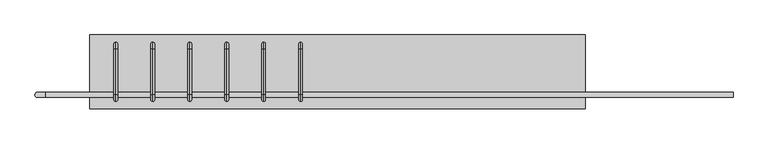
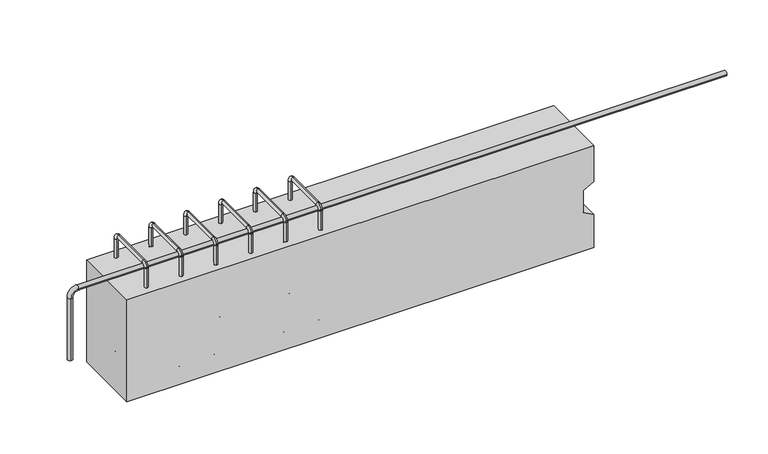
"""IFC4 building model written with IfcOpenShell, lengths in millimetres: proxy geometry."""

from ifc_helpers import new_model, si_unit, point, frame, origin, place, context, project, spatial, polyline, circle_curve, ellipse_curve, trimmed, outline, extrude, source, transform, mapped, element, save
from ifc_brep_helpers import plane_surface, cylinder_surface, revolved_surface, advanced_brep


def generic_models_96645414(model_context):
    return source(origin(), model_context, "Body", "SolidModel", [
        advanced_brep(
        [(45.0, 80.0, 367.25), (45.0, 62.5, 384.75), (45.0, 62.5, 374.75), (45.0, 70.0, 367.25), (45.0, 70.0, 36.25), (45.0, 80.0, 36.25), (45.0, 62.5, 18.75), (45.0, 62.5, 28.75), (45.0, -62.5, 28.75), (45.0, -62.5, 18.75), (45.0, -80.0, 36.25), (45.0, -70.0, 36.25), (45.0, -70.0, 367.25), (45.0, -80.0, 367.25), (45.0, -62.5, 384.75), (45.0, -62.5, 374.75)],
        [
            (0, 1, circle_curve(frame((45.0, 62.5, 367.25), z_axis=(1.0, 0.0, 0.0), x_axis=(0.0, 0.0, 1.0)), 17.5)),
            (1, 2, circle_curve(frame((45.0, 62.5, 379.75), z_axis=(0.0, 1.0, 0.0), x_axis=(0.0, 0.0, 1.0)), 5.0)),
            (2, 3, circle_curve(frame((45.0, 62.5, 367.25), z_axis=(-1.0, 0.0, 0.0), x_axis=(0.0, 0.0, 1.0)), 7.5)),
            (3, 0, circle_curve(frame((45.0, 75.0, 367.25), z_axis=(0.0, 0.0, 1.0), x_axis=(0.0, 1.0, 0.0)), 5.0)),
            (2, 1, circle_curve(frame((45.0, 62.5, 379.75), z_axis=(0.0, 1.0, 0.0), x_axis=(0.0, 0.0, 1.0)), 5.0)),
            (0, 3, circle_curve(frame((45.0, 75.0, 367.25), z_axis=(0.0, 0.0, 1.0), x_axis=(0.0, 1.0, 0.0)), 5.0)),
            (3, 4),
            (4, 5, circle_curve(frame((45.0, 75.0, 36.25), z_axis=(0.0, 0.0, 1.0), x_axis=(0.0, 1.0, 0.0)), 5.0)),
            (5, 0),
            (5, 4, circle_curve(frame((45.0, 75.0, 36.25), z_axis=(0.0, 0.0, 1.0), x_axis=(0.0, 1.0, 0.0)), 5.0)),
            (6, 5, circle_curve(frame((45.0, 62.5, 36.25), z_axis=(1.0, 0.0, 0.0), x_axis=(0.0, 1.0, 0.0)), 17.5)),
            (4, 7, circle_curve(frame((45.0, 62.5, 36.25), z_axis=(-1.0, 0.0, 0.0), x_axis=(0.0, 1.0, 0.0)), 7.5)),
            (7, 6, circle_curve(frame((45.0, 62.5, 23.75), z_axis=(0.0, 1.0, 0.0), x_axis=(0.0, 0.0, -1.0)), 5.0)),
            (6, 7, circle_curve(frame((45.0, 62.5, 23.75), z_axis=(0.0, 1.0, 0.0), x_axis=(0.0, 0.0, -1.0)), 5.0)),
            (7, 8),
            (8, 9, circle_curve(frame((45.0, -62.5, 23.75), z_axis=(0.0, 1.0, 0.0), x_axis=(0.0, 0.0, -1.0)), 5.0)),
            (9, 6),
            (9, 8, circle_curve(frame((45.0, -62.5, 23.75), z_axis=(0.0, 1.0, 0.0), x_axis=(0.0, 0.0, -1.0)), 5.0)),
            (10, 9, circle_curve(frame((45.0, -62.5, 36.25), z_axis=(1.0, 0.0, 0.0), x_axis=(0.0, 0.0, -1.0)), 17.5)),
            (8, 11, circle_curve(frame((45.0, -62.5, 36.25), z_axis=(-1.0, 0.0, 0.0), x_axis=(0.0, 0.0, -1.0)), 7.5)),
            (11, 10, circle_curve(frame((45.0, -75.0, 36.25), z_axis=(0.0, 0.0, -1.0), x_axis=(0.0, -1.0, 0.0)), 5.0)),
            (10, 11, circle_curve(frame((45.0, -75.0, 36.25), z_axis=(0.0, 0.0, -1.0), x_axis=(0.0, -1.0, 0.0)), 5.0)),
            (11, 12),
            (12, 13, circle_curve(frame((45.0, -75.0, 367.25), z_axis=(0.0, 0.0, -1.0), x_axis=(0.0, -1.0, 0.0)), 5.0)),
            (13, 10),
            (13, 12, circle_curve(frame((45.0, -75.0, 367.25), z_axis=(0.0, 0.0, -1.0), x_axis=(0.0, -1.0, 0.0)), 5.0)),
            (14, 13, circle_curve(frame((45.0, -62.5, 367.25), z_axis=(1.0, 0.0, 0.0), x_axis=(0.0, -1.0, 0.0)), 17.5)),
            (12, 15, circle_curve(frame((45.0, -62.5, 367.25), z_axis=(-1.0, 0.0, 0.0), x_axis=(0.0, -1.0, 0.0)), 7.5)),
            (15, 14, circle_curve(frame((45.0, -62.5, 379.75), z_axis=(0.0, -1.0, 0.0), x_axis=(0.0, 0.0, 1.0)), 5.0)),
            (14, 15, circle_curve(frame((45.0, -62.5, 379.75), z_axis=(0.0, -1.0, 0.0), x_axis=(0.0, 0.0, 1.0)), 5.0)),
            (15, 2),
            (1, 14),
        ],
        [
            revolved_surface(trimmed(ellipse_curve(frame((45.0, 62.5, 379.75), z_axis=(0.0, -1.0, 0.0), x_axis=(0.0, 0.0, 1.0)), 5.0, 5.0), [point((45.0, 62.5, 374.75))], [point((45.0, 62.5, 384.75))], True, "CARTESIAN"), (45.0, 62.5, 367.25), (-1.0, 0.0, 0.0)),
            revolved_surface(trimmed(ellipse_curve(frame((45.0, 62.5, 379.75), z_axis=(0.0, -1.0, 0.0), x_axis=(0.0, 0.0, 1.0)), 5.0, 5.0), [point((45.0, 62.5, 384.75))], [point((45.0, 62.5, 374.75))], True, "CARTESIAN"), (45.0, 62.5, 367.25), (-1.0, 0.0, 0.0)),
            cylinder_surface(frame((45.0, 75.0, 367.25), z_axis=(0.0, 0.0, 1.0), x_axis=(0.0, 1.0, 0.0)), 5.0),
            revolved_surface(trimmed(ellipse_curve(frame((45.0, 75.0, 36.25), z_axis=(0.0, 0.0, 1.0), x_axis=(0.0, 1.0, 0.0)), 5.0, 5.0), [point((45.0, 70.0, 36.25))], [point((45.0, 80.0, 36.25))], True, "CARTESIAN"), (45.0, 62.5, 36.25), (-1.0, 0.0, 0.0)),
            revolved_surface(trimmed(ellipse_curve(frame((45.0, 75.0, 36.25), z_axis=(0.0, 0.0, 1.0), x_axis=(0.0, 1.0, 0.0)), 5.0, 5.0), [point((45.0, 80.0, 36.25))], [point((45.0, 70.0, 36.25))], True, "CARTESIAN"), (45.0, 62.5, 36.25), (-1.0, 0.0, 0.0)),
            cylinder_surface(frame((45.0, 62.5, 23.75), z_axis=(0.0, 1.0, 0.0), x_axis=(0.0, 0.0, -1.0)), 5.0),
            revolved_surface(trimmed(ellipse_curve(frame((45.0, -62.5, 23.75), z_axis=(0.0, 1.0, 0.0), x_axis=(0.0, 0.0, -1.0)), 5.0, 5.0), [point((45.0, -62.5, 28.75))], [point((45.0, -62.5, 18.75))], True, "CARTESIAN"), (45.0, -62.5, 36.25), (-1.0, 0.0, 0.0)),
            revolved_surface(trimmed(ellipse_curve(frame((45.0, -62.5, 23.75), z_axis=(0.0, 1.0, 0.0), x_axis=(0.0, 0.0, -1.0)), 5.0, 5.0), [point((45.0, -62.5, 18.75))], [point((45.0, -62.5, 28.75))], True, "CARTESIAN"), (45.0, -62.5, 36.25), (-1.0, 0.0, 0.0)),
            cylinder_surface(frame((45.0, -75.0, 36.25), z_axis=(0.0, 0.0, -1.0), x_axis=(0.0, -1.0, 0.0)), 5.0),
            revolved_surface(trimmed(ellipse_curve(frame((45.0, -75.0, 367.25), z_axis=(0.0, 0.0, -1.0), x_axis=(0.0, -1.0, 0.0)), 5.0, 5.0), [point((45.0, -70.0, 367.25))], [point((45.0, -80.0, 367.25))], True, "CARTESIAN"), (45.0, -62.5, 367.25), (-1.0, 0.0, 0.0)),
            revolved_surface(trimmed(ellipse_curve(frame((45.0, -75.0, 367.25), z_axis=(0.0, 0.0, -1.0), x_axis=(0.0, -1.0, 0.0)), 5.0, 5.0), [point((45.0, -80.0, 367.25))], [point((45.0, -70.0, 367.25))], True, "CARTESIAN"), (45.0, -62.5, 367.25), (-1.0, 0.0, 0.0)),
            cylinder_surface(frame((45.0, -62.5, 379.75), z_axis=(0.0, -1.0, 0.0), x_axis=(0.0, 0.0, 1.0)), 5.0),
        ],
        [
            (0, [[1, 2, 3, 4]]),
            (1, [[-3, 5, -1, 6]]),
            (2, [[-4, 7, 8, 9]]),
            (2, [[-6, -9, 10, -7]]),
            (3, [[11, -8, 12, 13]]),
            (4, [[-12, -10, -11, 14]]),
            (5, [[-13, 15, 16, 17]]),
            (5, [[-14, -17, 18, -15]]),
            (6, [[19, -16, 20, 21]]),
            (7, [[-20, -18, -19, 22]]),
            (8, [[-21, 23, 24, 25]]),
            (8, [[-22, -25, 26, -23]]),
            (9, [[27, -24, 28, 29]]),
            (10, [[-28, -26, -27, 30]]),
            (11, [[-29, 31, -2, 32]]),
            (11, [[-30, -32, -5, -31]]),
        ],
    ),
        advanced_brep(
        [(-55.0, 80.0, 367.25), (-55.0, 62.5, 384.75), (-55.0, 62.5, 374.75), (-55.0, 70.0, 367.25), (-55.0, 70.0, 36.25), (-55.0, 80.0, 36.25), (-55.0, 62.5, 18.75), (-55.0, 62.5, 28.75), (-55.0, -62.5, 28.75), (-55.0, -62.5, 18.75), (-55.0, -80.0, 36.25), (-55.0, -70.0, 36.25), (-55.0, -70.0, 367.25), (-55.0, -80.0, 367.25), (-55.0, -62.5, 384.75), (-55.0, -62.5, 374.75)],
        [
            (0, 1, circle_curve(frame((-55.0, 62.5, 367.25), z_axis=(1.0, 0.0, 0.0), x_axis=(0.0, 0.0, 1.0)), 17.5)),
            (1, 2, circle_curve(frame((-55.0, 62.5, 379.75), z_axis=(0.0, 1.0, 0.0), x_axis=(0.0, 0.0, 1.0)), 5.0)),
            (2, 3, circle_curve(frame((-55.0, 62.5, 367.25), z_axis=(-1.0, 0.0, 0.0), x_axis=(0.0, 0.0, 1.0)), 7.5)),
            (3, 0, circle_curve(frame((-55.0, 75.0, 367.25), z_axis=(0.0, 0.0, 1.0), x_axis=(0.0, 1.0, 0.0)), 5.0)),
            (2, 1, circle_curve(frame((-55.0, 62.5, 379.75), z_axis=(0.0, 1.0, 0.0), x_axis=(0.0, 0.0, 1.0)), 5.0)),
            (0, 3, circle_curve(frame((-55.0, 75.0, 367.25), z_axis=(0.0, 0.0, 1.0), x_axis=(0.0, 1.0, 0.0)), 5.0)),
            (3, 4),
            (4, 5, circle_curve(frame((-55.0, 75.0, 36.25), z_axis=(0.0, 0.0, 1.0), x_axis=(0.0, 1.0, 0.0)), 5.0)),
            (5, 0),
            (5, 4, circle_curve(frame((-55.0, 75.0, 36.25), z_axis=(0.0, 0.0, 1.0), x_axis=(0.0, 1.0, 0.0)), 5.0)),
            (6, 5, circle_curve(frame((-55.0, 62.5, 36.25), z_axis=(1.0, 0.0, 0.0), x_axis=(0.0, 1.0, 0.0)), 17.5)),
            (4, 7, circle_curve(frame((-55.0, 62.5, 36.25), z_axis=(-1.0, 0.0, 0.0), x_axis=(0.0, 1.0, 0.0)), 7.5)),
            (7, 6, circle_curve(frame((-55.0, 62.5, 23.75), z_axis=(0.0, 1.0, 0.0), x_axis=(0.0, 0.0, -1.0)), 5.0)),
            (6, 7, circle_curve(frame((-55.0, 62.5, 23.75), z_axis=(0.0, 1.0, 0.0), x_axis=(0.0, 0.0, -1.0)), 5.0)),
            (7, 8),
            (8, 9, circle_curve(frame((-55.0, -62.5, 23.75), z_axis=(0.0, 1.0, 0.0), x_axis=(0.0, 0.0, -1.0)), 5.0)),
            (9, 6),
            (9, 8, circle_curve(frame((-55.0, -62.5, 23.75), z_axis=(0.0, 1.0, 0.0), x_axis=(0.0, 0.0, -1.0)), 5.0)),
            (10, 9, circle_curve(frame((-55.0, -62.5, 36.25), z_axis=(1.0, 0.0, 0.0), x_axis=(0.0, 0.0, -1.0)), 17.5)),
            (8, 11, circle_curve(frame((-55.0, -62.5, 36.25), z_axis=(-1.0, 0.0, 0.0), x_axis=(0.0, 0.0, -1.0)), 7.5)),
            (11, 10, circle_curve(frame((-55.0, -75.0, 36.25), z_axis=(0.0, 0.0, -1.0), x_axis=(0.0, -1.0, 0.0)), 5.0)),
            (10, 11, circle_curve(frame((-55.0, -75.0, 36.25), z_axis=(0.0, 0.0, -1.0), x_axis=(0.0, -1.0, 0.0)), 5.0)),
            (11, 12),
            (12, 13, circle_curve(frame((-55.0, -75.0, 367.25), z_axis=(0.0, 0.0, -1.0), x_axis=(0.0, -1.0, 0.0)), 5.0)),
            (13, 10),
            (13, 12, circle_curve(frame((-55.0, -75.0, 367.25), z_axis=(0.0, 0.0, -1.0), x_axis=(0.0, -1.0, 0.0)), 5.0)),
            (14, 13, circle_curve(frame((-55.0, -62.5, 367.25), z_axis=(1.0, 0.0, 0.0), x_axis=(0.0, -1.0, 0.0)), 17.5)),
            (12, 15, circle_curve(frame((-55.0, -62.5, 367.25), z_axis=(-1.0, 0.0, 0.0), x_axis=(0.0, -1.0, 0.0)), 7.5)),
            (15, 14, circle_curve(frame((-55.0, -62.5, 379.75), z_axis=(0.0, -1.0, 0.0), x_axis=(0.0, 0.0, 1.0)), 5.0)),
            (14, 15, circle_curve(frame((-55.0, -62.5, 379.75), z_axis=(0.0, -1.0, 0.0), x_axis=(0.0, 0.0, 1.0)), 5.0)),
            (15, 2),
            (1, 14),
        ],
        [
            revolved_surface(trimmed(ellipse_curve(frame((-55.0, 62.5, 379.75), z_axis=(0.0, -1.0, 0.0), x_axis=(0.0, 0.0, 1.0)), 5.0, 5.0), [point((-55.0, 62.5, 374.75))], [point((-55.0, 62.5, 384.75))], True, "CARTESIAN"), (-55.0, 62.5, 367.25), (-1.0, 0.0, 0.0)),
            revolved_surface(trimmed(ellipse_curve(frame((-55.0, 62.5, 379.75), z_axis=(0.0, -1.0, 0.0), x_axis=(0.0, 0.0, 1.0)), 5.0, 5.0), [point((-55.0, 62.5, 384.75))], [point((-55.0, 62.5, 374.75))], True, "CARTESIAN"), (-55.0, 62.5, 367.25), (-1.0, 0.0, 0.0)),
            cylinder_surface(frame((-55.0, 75.0, 367.25), z_axis=(0.0, 0.0, 1.0), x_axis=(0.0, 1.0, 0.0)), 5.0),
            revolved_surface(trimmed(ellipse_curve(frame((-55.0, 75.0, 36.25), z_axis=(0.0, 0.0, 1.0), x_axis=(0.0, 1.0, 0.0)), 5.0, 5.0), [point((-55.0, 70.0, 36.25))], [point((-55.0, 80.0, 36.25))], True, "CARTESIAN"), (-55.0, 62.5, 36.25), (-1.0, 0.0, 0.0)),
            revolved_surface(trimmed(ellipse_curve(frame((-55.0, 75.0, 36.25), z_axis=(0.0, 0.0, 1.0), x_axis=(0.0, 1.0, 0.0)), 5.0, 5.0), [point((-55.0, 80.0, 36.25))], [point((-55.0, 70.0, 36.25))], True, "CARTESIAN"), (-55.0, 62.5, 36.25), (-1.0, 0.0, 0.0)),
            cylinder_surface(frame((-55.0, 62.5, 23.75), z_axis=(0.0, 1.0, 0.0), x_axis=(0.0, 0.0, -1.0)), 5.0),
            revolved_surface(trimmed(ellipse_curve(frame((-55.0, -62.5, 23.75), z_axis=(0.0, 1.0, 0.0), x_axis=(0.0, 0.0, -1.0)), 5.0, 5.0), [point((-55.0, -62.5, 28.75))], [point((-55.0, -62.5, 18.75))], True, "CARTESIAN"), (-55.0, -62.5, 36.25), (-1.0, 0.0, 0.0)),
            revolved_surface(trimmed(ellipse_curve(frame((-55.0, -62.5, 23.75), z_axis=(0.0, 1.0, 0.0), x_axis=(0.0, 0.0, -1.0)), 5.0, 5.0), [point((-55.0, -62.5, 18.75))], [point((-55.0, -62.5, 28.75))], True, "CARTESIAN"), (-55.0, -62.5, 36.25), (-1.0, 0.0, 0.0)),
            cylinder_surface(frame((-55.0, -75.0, 36.25), z_axis=(0.0, 0.0, -1.0), x_axis=(0.0, -1.0, 0.0)), 5.0),
            revolved_surface(trimmed(ellipse_curve(frame((-55.0, -75.0, 367.25), z_axis=(0.0, 0.0, -1.0), x_axis=(0.0, -1.0, 0.0)), 5.0, 5.0), [point((-55.0, -70.0, 367.25))], [point((-55.0, -80.0, 367.25))], True, "CARTESIAN"), (-55.0, -62.5, 367.25), (-1.0, 0.0, 0.0)),
            revolved_surface(trimmed(ellipse_curve(frame((-55.0, -75.0, 367.25), z_axis=(0.0, 0.0, -1.0), x_axis=(0.0, -1.0, 0.0)), 5.0, 5.0), [point((-55.0, -80.0, 367.25))], [point((-55.0, -70.0, 367.25))], True, "CARTESIAN"), (-55.0, -62.5, 367.25), (-1.0, 0.0, 0.0)),
            cylinder_surface(frame((-55.0, -62.5, 379.75), z_axis=(0.0, -1.0, 0.0), x_axis=(0.0, 0.0, 1.0)), 5.0),
        ],
        [
            (0, [[1, 2, 3, 4]]),
            (1, [[-3, 5, -1, 6]]),
            (2, [[-4, 7, 8, 9]]),
            (2, [[-6, -9, 10, -7]]),
            (3, [[11, -8, 12, 13]]),
            (4, [[-12, -10, -11, 14]]),
            (5, [[-13, 15, 16, 17]]),
            (5, [[-14, -17, 18, -15]]),
            (6, [[19, -16, 20, 21]]),
            (7, [[-20, -18, -19, 22]]),
            (8, [[-21, 23, 24, 25]]),
            (8, [[-22, -25, 26, -23]]),
            (9, [[27, -24, 28, 29]]),
            (10, [[-28, -26, -27, 30]]),
            (11, [[-29, 31, -2, 32]]),
            (11, [[-30, -32, -5, -31]]),
        ],
    ),
        advanced_brep(
        [(-155.0, 80.0, 367.25), (-155.0, 62.5, 384.75), (-155.0, 62.5, 374.75), (-155.0, 70.0, 367.25), (-155.0, 70.0, 36.25), (-155.0, 80.0, 36.25), (-155.0, 62.5, 18.75), (-155.0, 62.5, 28.75), (-155.0, -62.5, 28.75), (-155.0, -62.5, 18.75), (-155.0, -80.0, 36.25), (-155.0, -70.0, 36.25), (-155.0, -70.0, 367.25), (-155.0, -80.0, 367.25), (-155.0, -62.5, 384.75), (-155.0, -62.5, 374.75)],
        [
            (0, 1, circle_curve(frame((-155.0, 62.5, 367.25), z_axis=(1.0, 0.0, 0.0), x_axis=(0.0, 0.0, 1.0)), 17.5)),
            (1, 2, circle_curve(frame((-155.0, 62.5, 379.75), z_axis=(0.0, 1.0, 0.0), x_axis=(0.0, 0.0, 1.0)), 5.0)),
            (2, 3, circle_curve(frame((-155.0, 62.5, 367.25), z_axis=(-1.0, 0.0, 0.0), x_axis=(0.0, 0.0, 1.0)), 7.5)),
            (3, 0, circle_curve(frame((-155.0, 75.0, 367.25), z_axis=(0.0, 0.0, 1.0), x_axis=(0.0, 1.0, 0.0)), 5.0)),
            (2, 1, circle_curve(frame((-155.0, 62.5, 379.75), z_axis=(0.0, 1.0, 0.0), x_axis=(0.0, 0.0, 1.0)), 5.0)),
            (0, 3, circle_curve(frame((-155.0, 75.0, 367.25), z_axis=(0.0, 0.0, 1.0), x_axis=(0.0, 1.0, 0.0)), 5.0)),
            (3, 4),
            (4, 5, circle_curve(frame((-155.0, 75.0, 36.25), z_axis=(0.0, 0.0, 1.0), x_axis=(0.0, 1.0, 0.0)), 5.0)),
            (5, 0),
            (5, 4, circle_curve(frame((-155.0, 75.0, 36.25), z_axis=(0.0, 0.0, 1.0), x_axis=(0.0, 1.0, 0.0)), 5.0)),
            (6, 5, circle_curve(frame((-155.0, 62.5, 36.25), z_axis=(1.0, 0.0, 0.0), x_axis=(0.0, 1.0, 0.0)), 17.5)),
            (4, 7, circle_curve(frame((-155.0, 62.5, 36.25), z_axis=(-1.0, 0.0, 0.0), x_axis=(0.0, 1.0, 0.0)), 7.5)),
            (7, 6, circle_curve(frame((-155.0, 62.5, 23.75), z_axis=(0.0, 1.0, 0.0), x_axis=(0.0, 0.0, -1.0)), 5.0)),
            (6, 7, circle_curve(frame((-155.0, 62.5, 23.75), z_axis=(0.0, 1.0, 0.0), x_axis=(0.0, 0.0, -1.0)), 5.0)),
            (7, 8),
            (8, 9, circle_curve(frame((-155.0, -62.5, 23.75), z_axis=(0.0, 1.0, 0.0), x_axis=(0.0, 0.0, -1.0)), 5.0)),
            (9, 6),
            (9, 8, circle_curve(frame((-155.0, -62.5, 23.75), z_axis=(0.0, 1.0, 0.0), x_axis=(0.0, 0.0, -1.0)), 5.0)),
            (10, 9, circle_curve(frame((-155.0, -62.5, 36.25), z_axis=(1.0, 0.0, 0.0), x_axis=(0.0, 0.0, -1.0)), 17.5)),
            (8, 11, circle_curve(frame((-155.0, -62.5, 36.25), z_axis=(-1.0, 0.0, 0.0), x_axis=(0.0, 0.0, -1.0)), 7.5)),
            (11, 10, circle_curve(frame((-155.0, -75.0, 36.25), z_axis=(0.0, 0.0, -1.0), x_axis=(0.0, -1.0, 0.0)), 5.0)),
            (10, 11, circle_curve(frame((-155.0, -75.0, 36.25), z_axis=(0.0, 0.0, -1.0), x_axis=(0.0, -1.0, 0.0)), 5.0)),
            (11, 12),
            (12, 13, circle_curve(frame((-155.0, -75.0, 367.25), z_axis=(0.0, 0.0, -1.0), x_axis=(0.0, -1.0, 0.0)), 5.0)),
            (13, 10),
            (13, 12, circle_curve(frame((-155.0, -75.0, 367.25), z_axis=(0.0, 0.0, -1.0), x_axis=(0.0, -1.0, 0.0)), 5.0)),
            (14, 13, circle_curve(frame((-155.0, -62.5, 367.25), z_axis=(1.0, 0.0, 0.0), x_axis=(0.0, -1.0, 0.0)), 17.5)),
            (12, 15, circle_curve(frame((-155.0, -62.5, 367.25), z_axis=(-1.0, 0.0, 0.0), x_axis=(0.0, -1.0, 0.0)), 7.5)),
            (15, 14, circle_curve(frame((-155.0, -62.5, 379.75), z_axis=(0.0, -1.0, 0.0), x_axis=(0.0, 0.0, 1.0)), 5.0)),
            (14, 15, circle_curve(frame((-155.0, -62.5, 379.75), z_axis=(0.0, -1.0, 0.0), x_axis=(0.0, 0.0, 1.0)), 5.0)),
            (15, 2),
            (1, 14),
        ],
        [
            revolved_surface(trimmed(ellipse_curve(frame((-155.0, 62.5, 379.75), z_axis=(0.0, -1.0, 0.0), x_axis=(0.0, 0.0, 1.0)), 5.0, 5.0), [point((-155.0, 62.5, 374.75))], [point((-155.0, 62.5, 384.75))], True, "CARTESIAN"), (-155.0, 62.5, 367.25), (-1.0, 0.0, 0.0)),
            revolved_surface(trimmed(ellipse_curve(frame((-155.0, 62.5, 379.75), z_axis=(0.0, -1.0, 0.0), x_axis=(0.0, 0.0, 1.0)), 5.0, 5.0), [point((-155.0, 62.5, 384.75))], [point((-155.0, 62.5, 374.75))], True, "CARTESIAN"), (-155.0, 62.5, 367.25), (-1.0, 0.0, 0.0)),
            cylinder_surface(frame((-155.0, 75.0, 367.25), z_axis=(0.0, 0.0, 1.0), x_axis=(0.0, 1.0, 0.0)), 5.0),
            revolved_surface(trimmed(ellipse_curve(frame((-155.0, 75.0, 36.25), z_axis=(0.0, 0.0, 1.0), x_axis=(0.0, 1.0, 0.0)), 5.0, 5.0), [point((-155.0, 70.0, 36.25))], [point((-155.0, 80.0, 36.25))], True, "CARTESIAN"), (-155.0, 62.5, 36.25), (-1.0, 0.0, 0.0)),
            revolved_surface(trimmed(ellipse_curve(frame((-155.0, 75.0, 36.25), z_axis=(0.0, 0.0, 1.0), x_axis=(0.0, 1.0, 0.0)), 5.0, 5.0), [point((-155.0, 80.0, 36.25))], [point((-155.0, 70.0, 36.25))], True, "CARTESIAN"), (-155.0, 62.5, 36.25), (-1.0, 0.0, 0.0)),
            cylinder_surface(frame((-155.0, 62.5, 23.75), z_axis=(0.0, 1.0, 0.0), x_axis=(0.0, 0.0, -1.0)), 5.0),
            revolved_surface(trimmed(ellipse_curve(frame((-155.0, -62.5, 23.75), z_axis=(0.0, 1.0, 0.0), x_axis=(0.0, 0.0, -1.0)), 5.0, 5.0), [point((-155.0, -62.5, 28.75))], [point((-155.0, -62.5, 18.75))], True, "CARTESIAN"), (-155.0, -62.5, 36.25), (-1.0, 0.0, 0.0)),
            revolved_surface(trimmed(ellipse_curve(frame((-155.0, -62.5, 23.75), z_axis=(0.0, 1.0, 0.0), x_axis=(0.0, 0.0, -1.0)), 5.0, 5.0), [point((-155.0, -62.5, 18.75))], [point((-155.0, -62.5, 28.75))], True, "CARTESIAN"), (-155.0, -62.5, 36.25), (-1.0, 0.0, 0.0)),
            cylinder_surface(frame((-155.0, -75.0, 36.25), z_axis=(0.0, 0.0, -1.0), x_axis=(0.0, -1.0, 0.0)), 5.0),
            revolved_surface(trimmed(ellipse_curve(frame((-155.0, -75.0, 367.25), z_axis=(0.0, 0.0, -1.0), x_axis=(0.0, -1.0, 0.0)), 5.0, 5.0), [point((-155.0, -70.0, 367.25))], [point((-155.0, -80.0, 367.25))], True, "CARTESIAN"), (-155.0, -62.5, 367.25), (-1.0, 0.0, 0.0)),
            revolved_surface(trimmed(ellipse_curve(frame((-155.0, -75.0, 367.25), z_axis=(0.0, 0.0, -1.0), x_axis=(0.0, -1.0, 0.0)), 5.0, 5.0), [point((-155.0, -80.0, 367.25))], [point((-155.0, -70.0, 367.25))], True, "CARTESIAN"), (-155.0, -62.5, 367.25), (-1.0, 0.0, 0.0)),
            cylinder_surface(frame((-155.0, -62.5, 379.75), z_axis=(0.0, -1.0, 0.0), x_axis=(0.0, 0.0, 1.0)), 5.0),
        ],
        [
            (0, [[1, 2, 3, 4]]),
            (1, [[-3, 5, -1, 6]]),
            (2, [[-4, 7, 8, 9]]),
            (2, [[-6, -9, 10, -7]]),
            (3, [[11, -8, 12, 13]]),
            (4, [[-12, -10, -11, 14]]),
            (5, [[-13, 15, 16, 17]]),
            (5, [[-14, -17, 18, -15]]),
            (6, [[19, -16, 20, 21]]),
            (7, [[-20, -18, -19, 22]]),
            (8, [[-21, 23, 24, 25]]),
            (8, [[-22, -25, 26, -23]]),
            (9, [[27, -24, 28, 29]]),
            (10, [[-28, -26, -27, 30]]),
            (11, [[-29, 31, -2, 32]]),
            (11, [[-30, -32, -5, -31]]),
        ],
    ),
        advanced_brep(
        [(-255.0, 80.0, 367.25), (-255.0, 62.5, 384.75), (-255.0, 62.5, 374.75), (-255.0, 70.0, 367.25), (-255.0, 70.0, 36.25), (-255.0, 80.0, 36.25), (-255.0, 62.5, 18.75), (-255.0, 62.5, 28.75), (-255.0, -62.5, 28.75), (-255.0, -62.5, 18.75), (-255.0, -80.0, 36.25), (-255.0, -70.0, 36.25), (-255.0, -70.0, 367.25), (-255.0, -80.0, 367.25), (-255.0, -62.5, 384.75), (-255.0, -62.5, 374.75)],
        [
            (0, 1, circle_curve(frame((-255.0, 62.5, 367.25), z_axis=(1.0, 0.0, 0.0), x_axis=(0.0, 0.0, 1.0)), 17.5)),
            (1, 2, circle_curve(frame((-255.0, 62.5, 379.75), z_axis=(0.0, 1.0, 0.0), x_axis=(0.0, 0.0, 1.0)), 5.0)),
            (2, 3, circle_curve(frame((-255.0, 62.5, 367.25), z_axis=(-1.0, 0.0, 0.0), x_axis=(0.0, 0.0, 1.0)), 7.5)),
            (3, 0, circle_curve(frame((-255.0, 75.0, 367.25), z_axis=(0.0, 0.0, 1.0), x_axis=(0.0, 1.0, 0.0)), 5.0)),
            (2, 1, circle_curve(frame((-255.0, 62.5, 379.75), z_axis=(0.0, 1.0, 0.0), x_axis=(0.0, 0.0, 1.0)), 5.0)),
            (0, 3, circle_curve(frame((-255.0, 75.0, 367.25), z_axis=(0.0, 0.0, 1.0), x_axis=(0.0, 1.0, 0.0)), 5.0)),
            (3, 4),
            (4, 5, circle_curve(frame((-255.0, 75.0, 36.25), z_axis=(0.0, 0.0, 1.0), x_axis=(0.0, 1.0, 0.0)), 5.0)),
            (5, 0),
            (5, 4, circle_curve(frame((-255.0, 75.0, 36.25), z_axis=(0.0, 0.0, 1.0), x_axis=(0.0, 1.0, 0.0)), 5.0)),
            (6, 5, circle_curve(frame((-255.0, 62.5, 36.25), z_axis=(1.0, 0.0, 0.0), x_axis=(0.0, 1.0, 0.0)), 17.5)),
            (4, 7, circle_curve(frame((-255.0, 62.5, 36.25), z_axis=(-1.0, 0.0, 0.0), x_axis=(0.0, 1.0, 0.0)), 7.5)),
            (7, 6, circle_curve(frame((-255.0, 62.5, 23.75), z_axis=(0.0, 1.0, 0.0), x_axis=(0.0, 0.0, -1.0)), 5.0)),
            (6, 7, circle_curve(frame((-255.0, 62.5, 23.75), z_axis=(0.0, 1.0, 0.0), x_axis=(0.0, 0.0, -1.0)), 5.0)),
            (7, 8),
            (8, 9, circle_curve(frame((-255.0, -62.5, 23.75), z_axis=(0.0, 1.0, 0.0), x_axis=(0.0, 0.0, -1.0)), 5.0)),
            (9, 6),
            (9, 8, circle_curve(frame((-255.0, -62.5, 23.75), z_axis=(0.0, 1.0, 0.0), x_axis=(0.0, 0.0, -1.0)), 5.0)),
            (10, 9, circle_curve(frame((-255.0, -62.5, 36.25), z_axis=(1.0, 0.0, 0.0), x_axis=(0.0, 0.0, -1.0)), 17.5)),
            (8, 11, circle_curve(frame((-255.0, -62.5, 36.25), z_axis=(-1.0, 0.0, 0.0), x_axis=(0.0, 0.0, -1.0)), 7.5)),
            (11, 10, circle_curve(frame((-255.0, -75.0, 36.25), z_axis=(0.0, 0.0, -1.0), x_axis=(0.0, -1.0, 0.0)), 5.0)),
            (10, 11, circle_curve(frame((-255.0, -75.0, 36.25), z_axis=(0.0, 0.0, -1.0), x_axis=(0.0, -1.0, 0.0)), 5.0)),
            (11, 12),
            (12, 13, circle_curve(frame((-255.0, -75.0, 367.25), z_axis=(0.0, 0.0, -1.0), x_axis=(0.0, -1.0, 0.0)), 5.0)),
            (13, 10),
            (13, 12, circle_curve(frame((-255.0, -75.0, 367.25), z_axis=(0.0, 0.0, -1.0), x_axis=(0.0, -1.0, 0.0)), 5.0)),
            (14, 13, circle_curve(frame((-255.0, -62.5, 367.25), z_axis=(1.0, 0.0, 0.0), x_axis=(0.0, -1.0, 0.0)), 17.5)),
            (12, 15, circle_curve(frame((-255.0, -62.5, 367.25), z_axis=(-1.0, 0.0, 0.0), x_axis=(0.0, -1.0, 0.0)), 7.5)),
            (15, 14, circle_curve(frame((-255.0, -62.5, 379.75), z_axis=(0.0, -1.0, 0.0), x_axis=(0.0, 0.0, 1.0)), 5.0)),
            (14, 15, circle_curve(frame((-255.0, -62.5, 379.75), z_axis=(0.0, -1.0, 0.0), x_axis=(0.0, 0.0, 1.0)), 5.0)),
            (15, 2),
            (1, 14),
        ],
        [
            revolved_surface(trimmed(ellipse_curve(frame((-255.0, 62.5, 379.75), z_axis=(0.0, -1.0, 0.0), x_axis=(0.0, 0.0, 1.0)), 5.0, 5.0), [point((-255.0, 62.5, 374.75))], [point((-255.0, 62.5, 384.75))], True, "CARTESIAN"), (-255.0, 62.5, 367.25), (-1.0, 0.0, 0.0)),
            revolved_surface(trimmed(ellipse_curve(frame((-255.0, 62.5, 379.75), z_axis=(0.0, -1.0, 0.0), x_axis=(0.0, 0.0, 1.0)), 5.0, 5.0), [point((-255.0, 62.5, 384.75))], [point((-255.0, 62.5, 374.75))], True, "CARTESIAN"), (-255.0, 62.5, 367.25), (-1.0, 0.0, 0.0)),
            cylinder_surface(frame((-255.0, 75.0, 367.25), z_axis=(0.0, 0.0, 1.0), x_axis=(0.0, 1.0, 0.0)), 5.0),
            revolved_surface(trimmed(ellipse_curve(frame((-255.0, 75.0, 36.25), z_axis=(0.0, 0.0, 1.0), x_axis=(0.0, 1.0, 0.0)), 5.0, 5.0), [point((-255.0, 70.0, 36.25))], [point((-255.0, 80.0, 36.25))], True, "CARTESIAN"), (-255.0, 62.5, 36.25), (-1.0, 0.0, 0.0)),
            revolved_surface(trimmed(ellipse_curve(frame((-255.0, 75.0, 36.25), z_axis=(0.0, 0.0, 1.0), x_axis=(0.0, 1.0, 0.0)), 5.0, 5.0), [point((-255.0, 80.0, 36.25))], [point((-255.0, 70.0, 36.25))], True, "CARTESIAN"), (-255.0, 62.5, 36.25), (-1.0, 0.0, 0.0)),
            cylinder_surface(frame((-255.0, 62.5, 23.75), z_axis=(0.0, 1.0, 0.0), x_axis=(0.0, 0.0, -1.0)), 5.0),
            revolved_surface(trimmed(ellipse_curve(frame((-255.0, -62.5, 23.75), z_axis=(0.0, 1.0, 0.0), x_axis=(0.0, 0.0, -1.0)), 5.0, 5.0), [point((-255.0, -62.5, 28.75))], [point((-255.0, -62.5, 18.75))], True, "CARTESIAN"), (-255.0, -62.5, 36.25), (-1.0, 0.0, 0.0)),
            revolved_surface(trimmed(ellipse_curve(frame((-255.0, -62.5, 23.75), z_axis=(0.0, 1.0, 0.0), x_axis=(0.0, 0.0, -1.0)), 5.0, 5.0), [point((-255.0, -62.5, 18.75))], [point((-255.0, -62.5, 28.75))], True, "CARTESIAN"), (-255.0, -62.5, 36.25), (-1.0, 0.0, 0.0)),
            cylinder_surface(frame((-255.0, -75.0, 36.25), z_axis=(0.0, 0.0, -1.0), x_axis=(0.0, -1.0, 0.0)), 5.0),
            revolved_surface(trimmed(ellipse_curve(frame((-255.0, -75.0, 367.25), z_axis=(0.0, 0.0, -1.0), x_axis=(0.0, -1.0, 0.0)), 5.0, 5.0), [point((-255.0, -70.0, 367.25))], [point((-255.0, -80.0, 367.25))], True, "CARTESIAN"), (-255.0, -62.5, 367.25), (-1.0, 0.0, 0.0)),
            revolved_surface(trimmed(ellipse_curve(frame((-255.0, -75.0, 367.25), z_axis=(0.0, 0.0, -1.0), x_axis=(0.0, -1.0, 0.0)), 5.0, 5.0), [point((-255.0, -80.0, 367.25))], [point((-255.0, -70.0, 367.25))], True, "CARTESIAN"), (-255.0, -62.5, 367.25), (-1.0, 0.0, 0.0)),
            cylinder_surface(frame((-255.0, -62.5, 379.75), z_axis=(0.0, -1.0, 0.0), x_axis=(0.0, 0.0, 1.0)), 5.0),
        ],
        [
            (0, [[1, 2, 3, 4]]),
            (1, [[-3, 5, -1, 6]]),
            (2, [[-4, 7, 8, 9]]),
            (2, [[-6, -9, 10, -7]]),
            (3, [[11, -8, 12, 13]]),
            (4, [[-12, -10, -11, 14]]),
            (5, [[-13, 15, 16, 17]]),
            (5, [[-14, -17, 18, -15]]),
            (6, [[19, -16, 20, 21]]),
            (7, [[-20, -18, -19, 22]]),
            (8, [[-21, 23, 24, 25]]),
            (8, [[-22, -25, 26, -23]]),
            (9, [[27, -24, 28, 29]]),
            (10, [[-28, -26, -27, 30]]),
            (11, [[-29, 31, -2, 32]]),
            (11, [[-30, -32, -5, -31]]),
        ],
    ),
        advanced_brep(
        [(-355.0, 80.0, 367.25), (-355.0, 62.5, 384.75), (-355.0, 62.5, 374.75), (-355.0, 70.0, 367.25), (-355.0, 70.0, 36.25), (-355.0, 80.0, 36.25), (-355.0, 62.5, 18.75), (-355.0, 62.5, 28.75), (-355.0, -62.5, 28.75), (-355.0, -62.5, 18.75), (-355.0, -80.0, 36.25), (-355.0, -70.0, 36.25), (-355.0, -70.0, 367.25), (-355.0, -80.0, 367.25), (-355.0, -62.5, 384.75), (-355.0, -62.5, 374.75)],
        [
            (0, 1, circle_curve(frame((-355.0, 62.5, 367.25), z_axis=(1.0, 0.0, 0.0), x_axis=(0.0, 0.0, 1.0)), 17.5)),
            (1, 2, circle_curve(frame((-355.0, 62.5, 379.75), z_axis=(0.0, 1.0, 0.0), x_axis=(0.0, 0.0, 1.0)), 5.0)),
            (2, 3, circle_curve(frame((-355.0, 62.5, 367.25), z_axis=(-1.0, 0.0, 0.0), x_axis=(0.0, 0.0, 1.0)), 7.5)),
            (3, 0, circle_curve(frame((-355.0, 75.0, 367.25), z_axis=(0.0, 0.0, 1.0), x_axis=(0.0, 1.0, 0.0)), 5.0)),
            (2, 1, circle_curve(frame((-355.0, 62.5, 379.75), z_axis=(0.0, 1.0, 0.0), x_axis=(0.0, 0.0, 1.0)), 5.0)),
            (0, 3, circle_curve(frame((-355.0, 75.0, 367.25), z_axis=(0.0, 0.0, 1.0), x_axis=(0.0, 1.0, 0.0)), 5.0)),
            (3, 4),
            (4, 5, circle_curve(frame((-355.0, 75.0, 36.25), z_axis=(0.0, 0.0, 1.0), x_axis=(0.0, 1.0, 0.0)), 5.0)),
            (5, 0),
            (5, 4, circle_curve(frame((-355.0, 75.0, 36.25), z_axis=(0.0, 0.0, 1.0), x_axis=(0.0, 1.0, 0.0)), 5.0)),
            (6, 5, circle_curve(frame((-355.0, 62.5, 36.25), z_axis=(1.0, 0.0, 0.0), x_axis=(0.0, 1.0, 0.0)), 17.5)),
            (4, 7, circle_curve(frame((-355.0, 62.5, 36.25), z_axis=(-1.0, 0.0, 0.0), x_axis=(0.0, 1.0, 0.0)), 7.5)),
            (7, 6, circle_curve(frame((-355.0, 62.5, 23.75), z_axis=(0.0, 1.0, 0.0), x_axis=(0.0, 0.0, -1.0)), 5.0)),
            (6, 7, circle_curve(frame((-355.0, 62.5, 23.75), z_axis=(0.0, 1.0, 0.0), x_axis=(0.0, 0.0, -1.0)), 5.0)),
            (7, 8),
            (8, 9, circle_curve(frame((-355.0, -62.5, 23.75), z_axis=(0.0, 1.0, 0.0), x_axis=(0.0, 0.0, -1.0)), 5.0)),
            (9, 6),
            (9, 8, circle_curve(frame((-355.0, -62.5, 23.75), z_axis=(0.0, 1.0, 0.0), x_axis=(0.0, 0.0, -1.0)), 5.0)),
            (10, 9, circle_curve(frame((-355.0, -62.5, 36.25), z_axis=(1.0, 0.0, 0.0), x_axis=(0.0, 0.0, -1.0)), 17.5)),
            (8, 11, circle_curve(frame((-355.0, -62.5, 36.25), z_axis=(-1.0, 0.0, 0.0), x_axis=(0.0, 0.0, -1.0)), 7.5)),
            (11, 10, circle_curve(frame((-355.0, -75.0, 36.25), z_axis=(0.0, 0.0, -1.0), x_axis=(0.0, -1.0, 0.0)), 5.0)),
            (10, 11, circle_curve(frame((-355.0, -75.0, 36.25), z_axis=(0.0, 0.0, -1.0), x_axis=(0.0, -1.0, 0.0)), 5.0)),
            (11, 12),
            (12, 13, circle_curve(frame((-355.0, -75.0, 367.25), z_axis=(0.0, 0.0, -1.0), x_axis=(0.0, -1.0, 0.0)), 5.0)),
            (13, 10),
            (13, 12, circle_curve(frame((-355.0, -75.0, 367.25), z_axis=(0.0, 0.0, -1.0), x_axis=(0.0, -1.0, 0.0)), 5.0)),
            (14, 13, circle_curve(frame((-355.0, -62.5, 367.25), z_axis=(1.0, 0.0, 0.0), x_axis=(0.0, -1.0, 0.0)), 17.5)),
            (12, 15, circle_curve(frame((-355.0, -62.5, 367.25), z_axis=(-1.0, 0.0, 0.0), x_axis=(0.0, -1.0, 0.0)), 7.5)),
            (15, 14, circle_curve(frame((-355.0, -62.5, 379.75), z_axis=(0.0, -1.0, 0.0), x_axis=(0.0, 0.0, 1.0)), 5.0)),
            (14, 15, circle_curve(frame((-355.0, -62.5, 379.75), z_axis=(0.0, -1.0, 0.0), x_axis=(0.0, 0.0, 1.0)), 5.0)),
            (15, 2),
            (1, 14),
        ],
        [
            revolved_surface(trimmed(ellipse_curve(frame((-355.0, 62.5, 379.75), z_axis=(0.0, -1.0, 0.0), x_axis=(0.0, 0.0, 1.0)), 5.0, 5.0), [point((-355.0, 62.5, 374.75))], [point((-355.0, 62.5, 384.75))], True, "CARTESIAN"), (-355.0, 62.5, 367.25), (-1.0, 0.0, 0.0)),
            revolved_surface(trimmed(ellipse_curve(frame((-355.0, 62.5, 379.75), z_axis=(0.0, -1.0, 0.0), x_axis=(0.0, 0.0, 1.0)), 5.0, 5.0), [point((-355.0, 62.5, 384.75))], [point((-355.0, 62.5, 374.75))], True, "CARTESIAN"), (-355.0, 62.5, 367.25), (-1.0, 0.0, 0.0)),
            cylinder_surface(frame((-355.0, 75.0, 367.25), z_axis=(0.0, 0.0, 1.0), x_axis=(0.0, 1.0, 0.0)), 5.0),
            revolved_surface(trimmed(ellipse_curve(frame((-355.0, 75.0, 36.25), z_axis=(0.0, 0.0, 1.0), x_axis=(0.0, 1.0, 0.0)), 5.0, 5.0), [point((-355.0, 70.0, 36.25))], [point((-355.0, 80.0, 36.25))], True, "CARTESIAN"), (-355.0, 62.5, 36.25), (-1.0, 0.0, 0.0)),
            revolved_surface(trimmed(ellipse_curve(frame((-355.0, 75.0, 36.25), z_axis=(0.0, 0.0, 1.0), x_axis=(0.0, 1.0, 0.0)), 5.0, 5.0), [point((-355.0, 80.0, 36.25))], [point((-355.0, 70.0, 36.25))], True, "CARTESIAN"), (-355.0, 62.5, 36.25), (-1.0, 0.0, 0.0)),
            cylinder_surface(frame((-355.0, 62.5, 23.75), z_axis=(0.0, 1.0, 0.0), x_axis=(0.0, 0.0, -1.0)), 5.0),
            revolved_surface(trimmed(ellipse_curve(frame((-355.0, -62.5, 23.75), z_axis=(0.0, 1.0, 0.0), x_axis=(0.0, 0.0, -1.0)), 5.0, 5.0), [point((-355.0, -62.5, 28.75))], [point((-355.0, -62.5, 18.75))], True, "CARTESIAN"), (-355.0, -62.5, 36.25), (-1.0, 0.0, 0.0)),
            revolved_surface(trimmed(ellipse_curve(frame((-355.0, -62.5, 23.75), z_axis=(0.0, 1.0, 0.0), x_axis=(0.0, 0.0, -1.0)), 5.0, 5.0), [point((-355.0, -62.5, 18.75))], [point((-355.0, -62.5, 28.75))], True, "CARTESIAN"), (-355.0, -62.5, 36.25), (-1.0, 0.0, 0.0)),
            cylinder_surface(frame((-355.0, -75.0, 36.25), z_axis=(0.0, 0.0, -1.0), x_axis=(0.0, -1.0, 0.0)), 5.0),
            revolved_surface(trimmed(ellipse_curve(frame((-355.0, -75.0, 367.25), z_axis=(0.0, 0.0, -1.0), x_axis=(0.0, -1.0, 0.0)), 5.0, 5.0), [point((-355.0, -70.0, 367.25))], [point((-355.0, -80.0, 367.25))], True, "CARTESIAN"), (-355.0, -62.5, 367.25), (-1.0, 0.0, 0.0)),
            revolved_surface(trimmed(ellipse_curve(frame((-355.0, -75.0, 367.25), z_axis=(0.0, 0.0, -1.0), x_axis=(0.0, -1.0, 0.0)), 5.0, 5.0), [point((-355.0, -80.0, 367.25))], [point((-355.0, -70.0, 367.25))], True, "CARTESIAN"), (-355.0, -62.5, 367.25), (-1.0, 0.0, 0.0)),
            cylinder_surface(frame((-355.0, -62.5, 379.75), z_axis=(0.0, -1.0, 0.0), x_axis=(0.0, 0.0, 1.0)), 5.0),
        ],
        [
            (0, [[1, 2, 3, 4]]),
            (1, [[-3, 5, -1, 6]]),
            (2, [[-4, 7, 8, 9]]),
            (2, [[-6, -9, 10, -7]]),
            (3, [[11, -8, 12, 13]]),
            (4, [[-12, -10, -11, 14]]),
            (5, [[-13, 15, 16, 17]]),
            (5, [[-14, -17, 18, -15]]),
            (6, [[19, -16, 20, 21]]),
            (7, [[-20, -18, -19, 22]]),
            (8, [[-21, 23, 24, 25]]),
            (8, [[-22, -25, 26, -23]]),
            (9, [[27, -24, 28, 29]]),
            (10, [[-28, -26, -27, 30]]),
            (11, [[-29, 31, -2, 32]]),
            (11, [[-30, -32, -5, -31]]),
        ],
    ),
        advanced_brep(
        [(-455.0, 80.0, 367.25), (-455.0, 62.5, 384.75), (-455.0, 62.5, 374.75), (-455.0, 70.0, 367.25), (-455.0, 70.0, 36.25), (-455.0, 80.0, 36.25), (-455.0, 62.5, 18.75), (-455.0, 62.5, 28.75), (-455.0, -62.5, 28.75), (-455.0, -62.5, 18.75), (-455.0, -80.0, 36.25), (-455.0, -70.0, 36.25), (-455.0, -70.0, 367.25), (-455.0, -80.0, 367.25), (-455.0, -62.5, 384.75), (-455.0, -62.5, 374.75)],
        [
            (0, 1, circle_curve(frame((-455.0, 62.5, 367.25), z_axis=(1.0, 0.0, 0.0), x_axis=(0.0, 0.0, 1.0)), 17.5)),
            (1, 2, circle_curve(frame((-455.0, 62.5, 379.75), z_axis=(0.0, 1.0, 0.0), x_axis=(0.0, 0.0, 1.0)), 5.0)),
            (2, 3, circle_curve(frame((-455.0, 62.5, 367.25), z_axis=(-1.0, 0.0, 0.0), x_axis=(0.0, 0.0, 1.0)), 7.5)),
            (3, 0, circle_curve(frame((-455.0, 75.0, 367.25), z_axis=(0.0, 0.0, 1.0), x_axis=(0.0, 1.0, 0.0)), 5.0)),
            (2, 1, circle_curve(frame((-455.0, 62.5, 379.75), z_axis=(0.0, 1.0, 0.0), x_axis=(0.0, 0.0, 1.0)), 5.0)),
            (0, 3, circle_curve(frame((-455.0, 75.0, 367.25), z_axis=(0.0, 0.0, 1.0), x_axis=(0.0, 1.0, 0.0)), 5.0)),
            (3, 4),
            (4, 5, circle_curve(frame((-455.0, 75.0, 36.25), z_axis=(0.0, 0.0, 1.0), x_axis=(0.0, 1.0, 0.0)), 5.0)),
            (5, 0),
            (5, 4, circle_curve(frame((-455.0, 75.0, 36.25), z_axis=(0.0, 0.0, 1.0), x_axis=(0.0, 1.0, 0.0)), 5.0)),
            (6, 5, circle_curve(frame((-455.0, 62.5, 36.25), z_axis=(1.0, 0.0, 0.0), x_axis=(0.0, 1.0, 0.0)), 17.5)),
            (4, 7, circle_curve(frame((-455.0, 62.5, 36.25), z_axis=(-1.0, 0.0, 0.0), x_axis=(0.0, 1.0, 0.0)), 7.5)),
            (7, 6, circle_curve(frame((-455.0, 62.5, 23.75), z_axis=(0.0, 1.0, 0.0), x_axis=(0.0, 0.0, -1.0)), 5.0)),
            (6, 7, circle_curve(frame((-455.0, 62.5, 23.75), z_axis=(0.0, 1.0, 0.0), x_axis=(0.0, 0.0, -1.0)), 5.0)),
            (7, 8),
            (8, 9, circle_curve(frame((-455.0, -62.5, 23.75), z_axis=(0.0, 1.0, 0.0), x_axis=(0.0, 0.0, -1.0)), 5.0)),
            (9, 6),
            (9, 8, circle_curve(frame((-455.0, -62.5, 23.75), z_axis=(0.0, 1.0, 0.0), x_axis=(0.0, 0.0, -1.0)), 5.0)),
            (10, 9, circle_curve(frame((-455.0, -62.5, 36.25), z_axis=(1.0, 0.0, 0.0), x_axis=(0.0, 0.0, -1.0)), 17.5)),
            (8, 11, circle_curve(frame((-455.0, -62.5, 36.25), z_axis=(-1.0, 0.0, 0.0), x_axis=(0.0, 0.0, -1.0)), 7.5)),
            (11, 10, circle_curve(frame((-455.0, -75.0, 36.25), z_axis=(0.0, 0.0, -1.0), x_axis=(0.0, -1.0, 0.0)), 5.0)),
            (10, 11, circle_curve(frame((-455.0, -75.0, 36.25), z_axis=(0.0, 0.0, -1.0), x_axis=(0.0, -1.0, 0.0)), 5.0)),
            (11, 12),
            (12, 13, circle_curve(frame((-455.0, -75.0, 367.25), z_axis=(0.0, 0.0, -1.0), x_axis=(0.0, -1.0, 0.0)), 5.0)),
            (13, 10),
            (13, 12, circle_curve(frame((-455.0, -75.0, 367.25), z_axis=(0.0, 0.0, -1.0), x_axis=(0.0, -1.0, 0.0)), 5.0)),
            (14, 13, circle_curve(frame((-455.0, -62.5, 367.25), z_axis=(1.0, 0.0, 0.0), x_axis=(0.0, -1.0, 0.0)), 17.5)),
            (12, 15, circle_curve(frame((-455.0, -62.5, 367.25), z_axis=(-1.0, 0.0, 0.0), x_axis=(0.0, -1.0, 0.0)), 7.5)),
            (15, 14, circle_curve(frame((-455.0, -62.5, 379.75), z_axis=(0.0, -1.0, 0.0), x_axis=(0.0, 0.0, 1.0)), 5.0)),
            (14, 15, circle_curve(frame((-455.0, -62.5, 379.75), z_axis=(0.0, -1.0, 0.0), x_axis=(0.0, 0.0, 1.0)), 5.0)),
            (15, 2),
            (1, 14),
        ],
        [
            revolved_surface(trimmed(ellipse_curve(frame((-455.0, 62.5, 379.75), z_axis=(0.0, -1.0, 0.0), x_axis=(0.0, 0.0, 1.0)), 5.0, 5.0), [point((-455.0, 62.5, 374.75))], [point((-455.0, 62.5, 384.75))], True, "CARTESIAN"), (-455.0, 62.5, 367.25), (-1.0, 0.0, 0.0)),
            revolved_surface(trimmed(ellipse_curve(frame((-455.0, 62.5, 379.75), z_axis=(0.0, -1.0, 0.0), x_axis=(0.0, 0.0, 1.0)), 5.0, 5.0), [point((-455.0, 62.5, 384.75))], [point((-455.0, 62.5, 374.75))], True, "CARTESIAN"), (-455.0, 62.5, 367.25), (-1.0, 0.0, 0.0)),
            cylinder_surface(frame((-455.0, 75.0, 367.25), z_axis=(0.0, 0.0, 1.0), x_axis=(0.0, 1.0, 0.0)), 5.0),
            revolved_surface(trimmed(ellipse_curve(frame((-455.0, 75.0, 36.25), z_axis=(0.0, 0.0, 1.0), x_axis=(0.0, 1.0, 0.0)), 5.0, 5.0), [point((-455.0, 70.0, 36.25))], [point((-455.0, 80.0, 36.25))], True, "CARTESIAN"), (-455.0, 62.5, 36.25), (-1.0, 0.0, 0.0)),
            revolved_surface(trimmed(ellipse_curve(frame((-455.0, 75.0, 36.25), z_axis=(0.0, 0.0, 1.0), x_axis=(0.0, 1.0, 0.0)), 5.0, 5.0), [point((-455.0, 80.0, 36.25))], [point((-455.0, 70.0, 36.25))], True, "CARTESIAN"), (-455.0, 62.5, 36.25), (-1.0, 0.0, 0.0)),
            cylinder_surface(frame((-455.0, 62.5, 23.75), z_axis=(0.0, 1.0, 0.0), x_axis=(0.0, 0.0, -1.0)), 5.0),
            revolved_surface(trimmed(ellipse_curve(frame((-455.0, -62.5, 23.75), z_axis=(0.0, 1.0, 0.0), x_axis=(0.0, 0.0, -1.0)), 5.0, 5.0), [point((-455.0, -62.5, 28.75))], [point((-455.0, -62.5, 18.75))], True, "CARTESIAN"), (-455.0, -62.5, 36.25), (-1.0, 0.0, 0.0)),
            revolved_surface(trimmed(ellipse_curve(frame((-455.0, -62.5, 23.75), z_axis=(0.0, 1.0, 0.0), x_axis=(0.0, 0.0, -1.0)), 5.0, 5.0), [point((-455.0, -62.5, 18.75))], [point((-455.0, -62.5, 28.75))], True, "CARTESIAN"), (-455.0, -62.5, 36.25), (-1.0, 0.0, 0.0)),
            cylinder_surface(frame((-455.0, -75.0, 36.25), z_axis=(0.0, 0.0, -1.0), x_axis=(0.0, -1.0, 0.0)), 5.0),
            revolved_surface(trimmed(ellipse_curve(frame((-455.0, -75.0, 367.25), z_axis=(0.0, 0.0, -1.0), x_axis=(0.0, -1.0, 0.0)), 5.0, 5.0), [point((-455.0, -70.0, 367.25))], [point((-455.0, -80.0, 367.25))], True, "CARTESIAN"), (-455.0, -62.5, 367.25), (-1.0, 0.0, 0.0)),
            revolved_surface(trimmed(ellipse_curve(frame((-455.0, -75.0, 367.25), z_axis=(0.0, 0.0, -1.0), x_axis=(0.0, -1.0, 0.0)), 5.0, 5.0), [point((-455.0, -80.0, 367.25))], [point((-455.0, -70.0, 367.25))], True, "CARTESIAN"), (-455.0, -62.5, 367.25), (-1.0, 0.0, 0.0)),
            cylinder_surface(frame((-455.0, -62.5, 379.75), z_axis=(0.0, -1.0, 0.0), x_axis=(0.0, 0.0, 1.0)), 5.0),
        ],
        [
            (0, [[1, 2, 3, 4]]),
            (1, [[-3, 5, -1, 6]]),
            (2, [[-4, 7, 8, 9]]),
            (2, [[-6, -9, 10, -7]]),
            (3, [[11, -8, 12, 13]]),
            (4, [[-12, -10, -11, 14]]),
            (5, [[-13, 15, 16, 17]]),
            (5, [[-14, -17, 18, -15]]),
            (6, [[19, -16, 20, 21]]),
            (7, [[-20, -18, -19, 22]]),
            (8, [[-21, 23, 24, 25]]),
            (8, [[-22, -25, 26, -23]]),
            (9, [[27, -24, 28, 29]]),
            (10, [[-28, -26, -27, 30]]),
            (11, [[-29, 31, -2, 32]]),
            (11, [[-30, -32, -5, -31]]),
        ],
    ),
        extrude(outline(polyline([(310.0, -525.0), (0.0, -525.0), (0.0, 815.0), (100.579261, 815.0), (117.0, 785.0), (183.0, 785.0), (200.0, 815.0), (310.0, 815.0), (310.0, -525.0)])), frame((0.0, -100.0, 0.0), z_axis=(0.0, 1.0, 0.0), x_axis=(0.0, 0.0, 1.0)), (0.0, 0.0, 1.0), 200.0),
        advanced_brep(
        [(1215.0, -69.3015597, 367.0), (1215.0, -55.3015597, 367.0), (-645.0, -69.3015597, 367.0), (-645.0, -55.3015597, 367.0), (-666.8054854, -55.3015597, 345.1945146), (-666.8054854, -69.3015597, 345.1945146), (-666.8054854, -69.3015597, 157.0), (-666.8054854, -55.3015597, 157.0)],
        [
            (0, 1, circle_curve(frame((1215.0, -62.3015597, 367.0), z_axis=(1.0, 0.0, 0.0), x_axis=(0.0, 1.0, 0.0)), 7.0)),
            (1, 0, circle_curve(frame((1215.0, -62.3015597, 367.0), z_axis=(1.0, 0.0, 0.0), x_axis=(0.0, 1.0, 0.0)), 7.0)),
            (0, 2),
            (2, 3, circle_curve(frame((-645.0, -62.3015597, 367.0), z_axis=(1.0, 0.0, 0.0), x_axis=(0.0, 1.0, 0.0)), 7.0)),
            (3, 1),
            (3, 2, circle_curve(frame((-645.0, -62.3015597, 367.0), z_axis=(1.0, 0.0, 0.0), x_axis=(0.0, 1.0, 0.0)), 7.0)),
            (4, 3, circle_curve(frame((-645.0, -55.3015597, 345.1945146), z_axis=(0.0, 1.0, 0.0), x_axis=(0.0, 0.0, 1.0)), 21.8054854)),
            (2, 5, circle_curve(frame((-645.0, -69.3015597, 345.1945146), z_axis=(0.0, -1.0, 0.0), x_axis=(0.0, 0.0, 1.0)), 21.8054854)),
            (5, 4, circle_curve(frame((-666.8054854, -62.3015597, 345.1945146), z_axis=(0.0, 0.0, 1.0), x_axis=(0.0, 1.0, 0.0)), 7.0)),
            (4, 5, circle_curve(frame((-666.8054854, -62.3015597, 345.1945146), z_axis=(0.0, 0.0, 1.0), x_axis=(0.0, 1.0, 0.0)), 7.0)),
            (6, 7, circle_curve(frame((-666.8054854, -62.3015597, 157.0), z_axis=(0.0, 0.0, -1.0), x_axis=(0.0, 1.0, 0.0)), 7.0)),
            (7, 6, circle_curve(frame((-666.8054854, -62.3015597, 157.0), z_axis=(0.0, 0.0, -1.0), x_axis=(0.0, 1.0, 0.0)), 7.0)),
            (5, 6),
            (7, 4),
        ],
        [
            plane_surface(frame((1215.0, -124.674553, 367.0), z_axis=(1.0, 0.0, 0.0), x_axis=(0.0, -1.0, 0.0))),
            cylinder_surface(frame((1215.0, -62.3015597, 367.0), z_axis=(1.0, 0.0, 0.0), x_axis=(0.0, 1.0, 0.0)), 7.0),
            revolved_surface(trimmed(ellipse_curve(frame((-645.0, -62.3015597, 367.0), z_axis=(1.0, 0.0, 0.0), x_axis=(0.0, 1.0, 0.0)), 7.0, 7.0), [point((-645.0, -69.3015597, 367.0))], [point((-645.0, -55.3015597, 367.0))], True, "CARTESIAN"), (-645.0, -124.674553, 345.1945146), (0.0, -1.0, 0.0)),
            revolved_surface(trimmed(ellipse_curve(frame((-645.0, -62.3015597, 367.0), z_axis=(1.0, 0.0, 0.0), x_axis=(0.0, 1.0, 0.0)), 7.0, 7.0), [point((-645.0, -55.3015597, 367.0))], [point((-645.0, -69.3015597, 367.0))], True, "CARTESIAN"), (-645.0, -124.674553, 345.1945146), (0.0, -1.0, 0.0)),
            plane_surface(frame((-666.8054854, -124.674553, 157.0), z_axis=(0.0, 0.0, -1.0), x_axis=(0.0, -1.0, 0.0))),
            cylinder_surface(frame((-666.8054854, -62.3015597, 345.1945146), z_axis=(0.0, 0.0, 1.0), x_axis=(0.0, 1.0, 0.0)), 7.0),
        ],
        [
            (0, [[1, 2]]),
            (1, [[-1, 3, 4, 5]]),
            (1, [[-2, -5, 6, -3]]),
            (2, [[7, -4, 8, 9]]),
            (3, [[-8, -6, -7, 10]]),
            (4, [[11, 12]]),
            (5, [[-9, 13, -12, 14]]),
            (5, [[-10, -14, -11, -13]]),
        ],
    ),
    ])


if __name__ == "__main__":
    model = new_model("IFC4")
    model_context = context("Model", 3, world=origin())
    ifc_project = project(units=[si_unit("LENGTHUNIT", "METRE", prefix="MILLI")], contexts=[model_context])
    site = spatial("IfcSite", under=ifc_project)
    building = spatial("IfcBuilding", under=site)
    placement = place(None, origin())
    generic_models_shape = generic_models_96645414(model_context)
    element("IfcBuildingElementProxy", 1, Name="Generic Models", at=placement, inside=building, context=model_context, shape_type="MappedRepresentation", body=[
        mapped(generic_models_shape, transform((0.0, 0.0, 0.0), x_axis=(1.0, 0.0, 0.0), y_axis=(0.0, 1.0, 0.0), z_axis=(0.0, 0.0, 1.0))),
    ])
    save(model, "model.ifc")
